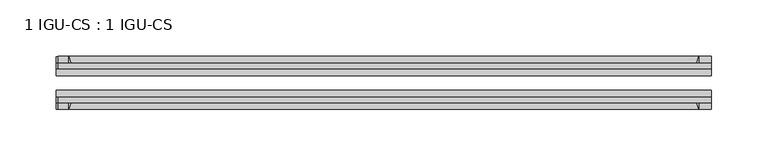
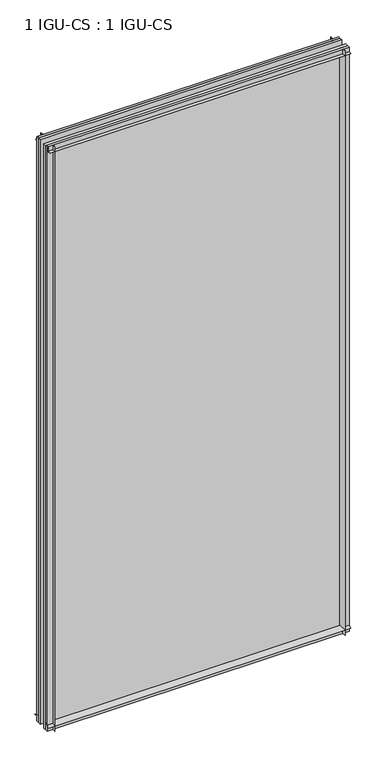
"""IFC4 building model written with IfcOpenShell, lengths in millimetres: plate geometry, 1 IGU-CS : 1 IGU-CS."""

from ifc_helpers import new_model, si_unit, point, frame, frame_2d, origin, place, context, project, spatial, polyline, circle_curve, trimmed, segment, composite_curve, outline, extrude, source, transform, mapped, element, save


def plate_1_igu_cs_1_igu_cs_1d88c2b0(model_context):
    return source(origin(), model_context, "Body", "SweptSolid", [
        extrude(outline(composite_curve([segment(polyline([(-44.45, 1165.2958595), (-44.45, 1178.71875), (-39.6748, 1178.71875), (-39.6748, 1169.19375), (-33.7058, 1169.19375)]), True, "CONTINUOUS"), segment(trimmed(circle_curve(frame_2d((-28.0741797, 1136.9139961)), 32.7673262), [point((-33.7058, 1169.19375))], [point((-44.45, 1165.2958595))], True, "CARTESIAN"), True, "CONTINUOUS")], self_intersect=False)), frame((-288.7267777, 0.0, 0.0), z_axis=(1.0, 0.0, 0.0), x_axis=(0.0, 1.0, 0.0)), (0.0, 0.0, 1.0), 579.2388808),
        extrude(outline(composite_curve([segment(trimmed(circle_curve(frame_2d((-86.2258203, 1136.9139961)), 32.7673262), [point((-69.85, 1165.2958595))], [point((-80.5942, 1169.19375))], True, "CARTESIAN"), True, "CONTINUOUS"), segment(polyline([(-80.5942, 1169.19375), (-74.6252, 1169.19375), (-74.6252, 1178.71875), (-69.85, 1178.71875), (-69.85, 1165.2958595)]), True, "CONTINUOUS")], self_intersect=False)), frame((-288.7267777, 0.0, 0.0), z_axis=(1.0, 0.0, 0.0), x_axis=(0.0, 1.0, 0.0)), (0.0, 0.0, 1.0), 579.2388808),
        extrude(outline(composite_curve([segment(trimmed(circle_curve(frame_2d((-28.0741797, 32.2797688)), 32.7673262), [point((-44.45, 3.8979053))], [point((-33.7058, 1.48e-05))], True, "CARTESIAN"), True, "CONTINUOUS"), segment(polyline([(-33.7058, 1.48e-05), (-39.6748, 1.48e-05), (-39.6748, -10.31875), (-44.45, -10.31875), (-44.45, 3.8979053)]), True, "CONTINUOUS")], self_intersect=False)), frame((-290.5121031, 0.0, 0.0), z_axis=(1.0, 0.0, 0.0), x_axis=(0.0, 1.0, 0.0)), (0.0, 0.0, 1.0), 581.0242062),
        extrude(outline(composite_curve([segment(trimmed(circle_curve(frame_2d((-86.2258203, 32.2797602)), 32.7673262), [point((-80.5942354, 0.0))], [point((-69.85, 3.8978967))], True, "CARTESIAN"), True, "CONTINUOUS"), segment(polyline([(-69.85, 3.8978967), (-69.85, -10.31875), (-74.6252, -10.31875), (-74.6252, 0.0), (-80.5942354, 0.0)]), True, "CONTINUOUS")], self_intersect=False)), frame((-290.5121031, 0.0, 0.0), z_axis=(1.0, 0.0, 0.0), x_axis=(0.0, 1.0, 0.0)), (0.0, 0.0, 1.0), 581.0242062),
        extrude(outline(composite_curve([segment(polyline([(290.5121031, -39.6748), (290.5121031, -44.45), (275.5017126, -44.45)]), True, "CONTINUOUS"), segment(trimmed(circle_curve(frame_2d((247.1198492, -28.0741797)), 32.7673262), [point((275.5017126, -44.45))], [point((279.3996031, -33.7058))], True, "CARTESIAN"), True, "CONTINUOUS"), segment(polyline([(279.3996031, -33.7058), (279.3996031, -39.6748), (290.5121031, -39.6748)]), True, "CONTINUOUS")], self_intersect=False)), frame((0.0, 0.0, -10.31875), z_axis=(0.0, 0.0, 1.0), x_axis=(1.0, 0.0, 0.0)), (0.0, 0.0, 1.0), 1189.0375),
        extrude(outline(composite_curve([segment(polyline([(290.5121031, -69.85), (290.5121031, -74.6252), (279.3996031, -74.6252), (279.3996031, -80.5942)]), True, "CONTINUOUS"), segment(trimmed(circle_curve(frame_2d((247.1198492, -86.2258203)), 32.7673262), [point((279.3996031, -80.5942))], [point((275.5017126, -69.85))], True, "CARTESIAN"), True, "CONTINUOUS"), segment(polyline([(275.5017126, -69.85), (290.5121031, -69.85)]), True, "CONTINUOUS")], self_intersect=False)), frame((0.0, 0.0, -10.31875), z_axis=(0.0, 0.0, 1.0), x_axis=(1.0, 0.0, 0.0)), (0.0, 0.0, 1.0), 1189.0375),
        extrude(outline(composite_curve([segment(polyline([(-290.5121031, -39.6748), (-279.3996031, -39.6748), (-279.3996031, -33.7058)]), True, "CONTINUOUS"), segment(trimmed(circle_curve(frame_2d((-247.1198492, -28.0741797)), 32.7673262), [point((-279.3996031, -33.7058))], [point((-275.5017126, -44.45))], True, "CARTESIAN"), True, "CONTINUOUS"), segment(polyline([(-275.5017126, -44.45), (-290.5121031, -44.45), (-290.5121031, -39.6748)]), True, "CONTINUOUS")], self_intersect=False)), frame((0.0, 0.0, -10.31875), z_axis=(0.0, 0.0, 1.0), x_axis=(1.0, 0.0, 0.0)), (0.0, 0.0, 1.0), 1189.0375),
        extrude(outline(composite_curve([segment(polyline([(-290.5121031, -74.6252), (-290.5121031, -69.85), (-275.5017126, -69.85)]), True, "CONTINUOUS"), segment(trimmed(circle_curve(frame_2d((-247.1198492, -86.2258203)), 32.7673262), [point((-275.5017126, -69.85))], [point((-279.3996031, -80.5942))], True, "CARTESIAN"), True, "CONTINUOUS"), segment(polyline([(-279.3996031, -80.5942), (-279.3996031, -74.6252), (-290.5121031, -74.6252)]), True, "CONTINUOUS")], self_intersect=False)), frame((0.0, 0.0, -10.31875), z_axis=(0.0, 0.0, 1.0), x_axis=(1.0, 0.0, 0.0)), (0.0, 0.0, 1.0), 1189.0375),
        extrude(outline(polyline([(-290.5121031, -69.85), (-290.5121031, -63.5508), (290.5121031, -63.5508), (290.5121031, -69.85), (-290.5121031, -69.85)])), frame((0.0, 0.0, -10.31875), z_axis=(0.0, 0.0, 1.0), x_axis=(1.0, 0.0, 0.0)), (0.0, 0.0, 1.0), 1189.0375),
        extrude(outline(polyline([(290.5121031, -50.7492), (-290.5121031, -50.7492), (-290.5121031, -44.45), (290.5121031, -44.45), (290.5121031, -50.7492)])), frame((0.0, 0.0, -10.31875), z_axis=(0.0, 0.0, 1.0), x_axis=(1.0, 0.0, 0.0)), (0.0, 0.0, 1.0), 1189.0375),
    ])


if __name__ == "__main__":
    model = new_model("IFC4")
    model_context = context("Model", 3, world=origin())
    ifc_project = project(units=[si_unit("LENGTHUNIT", "METRE", prefix="MILLI")], contexts=[model_context])
    site = spatial("IfcSite", under=ifc_project)
    building = spatial("IfcBuilding", under=site)
    placement = place(None, origin())
    plate_1_igu_cs_1_igu_cs_shape = plate_1_igu_cs_1_igu_cs_1d88c2b0(model_context)
    element("IfcPlate", 1, ObjectType="1 IGU-CS : 1 IGU-CS", at=placement, inside=building, context=model_context, shape_type="MappedRepresentation", body=[
        mapped(plate_1_igu_cs_1_igu_cs_shape, transform((0.0, 0.0, 0.0), x_axis=(1.0, 0.0, 0.0), y_axis=(0.0, 1.0, 0.0), z_axis=(0.0, 0.0, 1.0))),
    ])
    save(model, "model.ifc")
